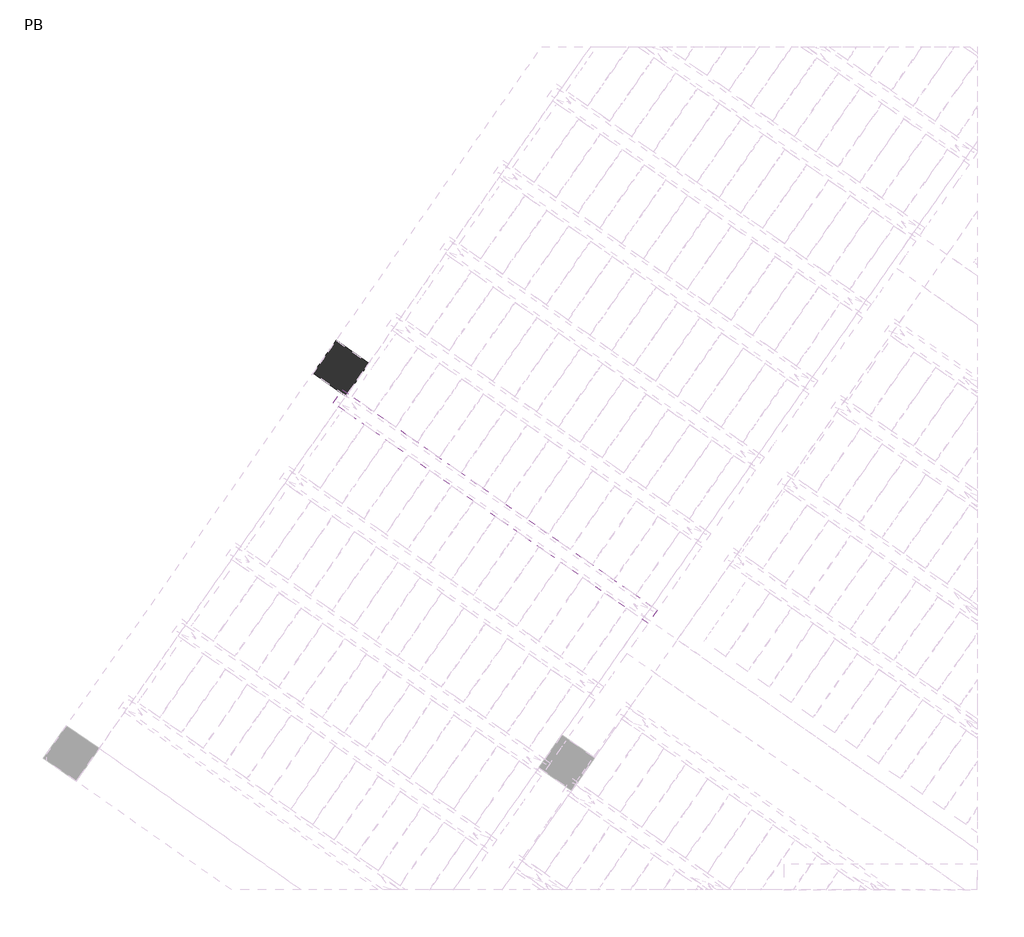
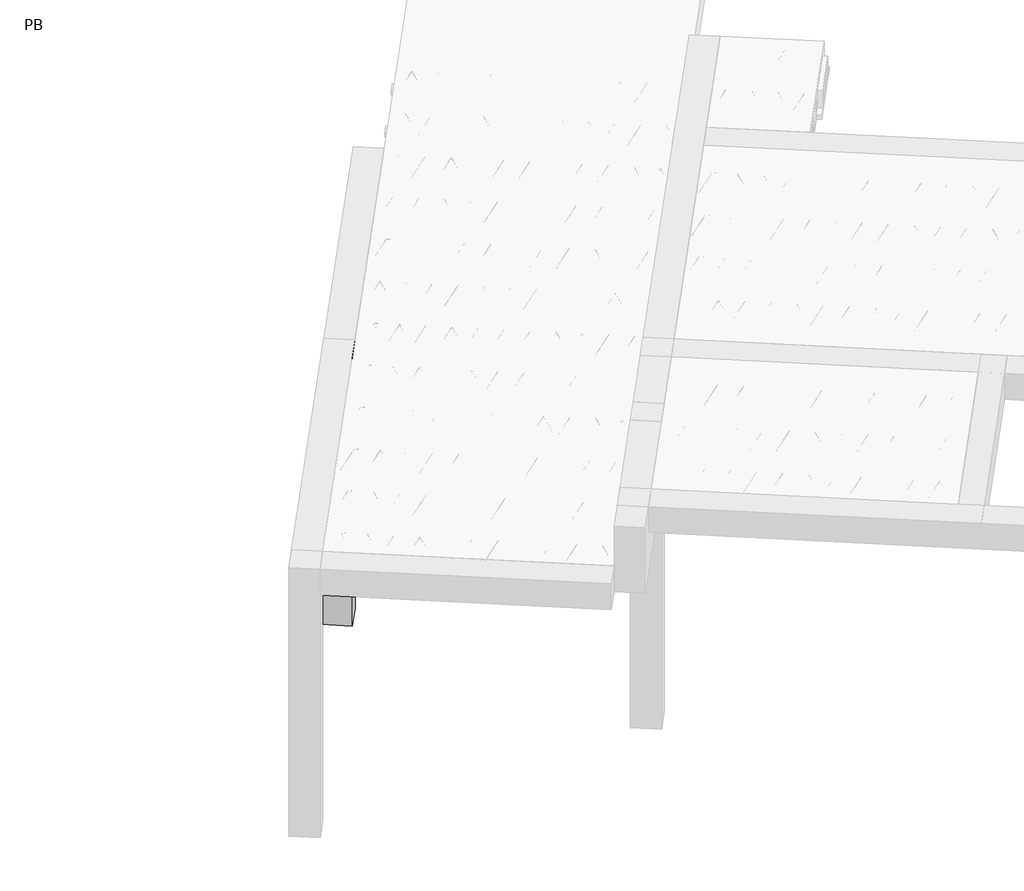
# One storey, part 26 of 56: 2 beams, 1 column.
"""IFC4 building model written with IfcOpenShell, lengths in millimetres."""

from ifc_helpers import new_model, si_unit, point, frame, origin, origin_2d, place, context, project, spatial, polyline, circle_curve, trimmed, segment, composite_curve, outline, extrude, element, save

model = new_model("IFC4")

# Units and contexts
model_context = context("Model", 3, world=origin())
ifc_project = project(units=[si_unit("LENGTHUNIT", "METRE", prefix="MILLI")], contexts=[model_context])

# Site, building, storey
site = spatial("IfcSite", under=ifc_project)
building = spatial("IfcBuilding", under=site)
storey = spatial("IfcBuildingStorey", under=building, Name="PB", Elevation=95940.0)

# Beams
placement = place(None, origin())
element("IfcBeam", 1, at=placement, inside=storey, context=model_context, shape_type="SweptSolid", body=[
    extrude(outline(polyline([(391.452062, 4963.3698064), (460.2812344, 5061.6680517), (2823.2385882, 3407.1074999), (2754.4094159, 3308.8092546), (391.452062, 4963.3698064)])), frame((0.0, 0.0, 98760.0), z_axis=(0.0, 0.0, 1.0), x_axis=(1.0, 0.0, 0.0)), (0.0, 0.0, 1.0), 50.0),
    extrude(outline(composite_curve([segment(trimmed(circle_curve(origin_2d(), 2.5), [point((-2.5000001, 0.0))], [point((2.5, 0.0))], False, "CARTESIAN"), True, "CONTINUOUS"), segment(trimmed(circle_curve(origin_2d(), 2.5), [point((2.5, 0.0))], [point((-2.5000001, 0.0))], False, "CARTESIAN"), True, "CONTINUOUS")], self_intersect=False)), frame((2748.5156013, 3342.2347382, 98785.0), z_axis=(-0.8191520442696126, 0.5735764363787226, 0.0), x_axis=(0.5735764363787226, 0.8191520442696126, 0.0)), (0.0, 0.0, 1.0), 2836.638292),
    extrude(outline(composite_curve([segment(trimmed(circle_curve(origin_2d(), 2.5), [point((-2.5000001, 0.0))], [point((2.5, 0.0))], False, "CARTESIAN"), True, "CONTINUOUS"), segment(trimmed(circle_curve(origin_2d(), 2.5), [point((2.5, 0.0))], [point((-2.5000001, 0.0))], False, "CARTESIAN"), True, "CONTINUOUS")], self_intersect=False)), frame((2672.2429828, 3439.5892858, 99010.0), z_axis=(-0.8191520442696126, 0.5735764363787226, 0.0), x_axis=(0.5735764363787226, 0.8191520442696126, 0.0)), (0.0, 0.0, 1.0), 2600.0),
    extrude(outline(composite_curve([segment(trimmed(circle_curve(origin_2d(), 2.5), [point((-2.5, 0.0))], [point((2.5, 0.0))], False, "CARTESIAN"), True, "CONTINUOUS"), segment(trimmed(circle_curve(origin_2d(), 2.5), [point((2.5, 0.0))], [point((-2.5, 0.0))], False, "CARTESIAN"), True, "CONTINUOUS")], self_intersect=False)), frame((2713.0306345, 3367.0815794, 98785.0), z_axis=(-0.3145304735701046, 0.38933448886848654, 0.8657304643902053), x_axis=(0.7778747638402499, 0.6284193279813057, 0.0)), (0.0, 0.0, 1.0), 259.8961331),
    extrude(outline(composite_curve([segment(trimmed(circle_curve(origin_2d(), 2.5), [point((2.5, 0.0))], [point((-2.5, 0.0))], False, "CARTESIAN"), True, "CONTINUOUS"), segment(trimmed(circle_curve(origin_2d(), 2.5), [point((-2.5, 0.0))], [point((2.5, 0.0))], False, "CARTESIAN"), True, "CONTINUOUS")], self_intersect=False)), frame((2508.2426234, 3510.4756885, 98785.0), z_axis=(0.47343050384693375, -0.16240172737369005, 0.8657304643902051), x_axis=(-0.3244721671091268, -0.9458952440791246, 0.0)), (0.0, 0.0, 1.0), 259.8961331),
    extrude(outline(composite_curve([segment(trimmed(circle_curve(origin_2d(), 2.5), [point((-2.5, 0.0))], [point((2.5, 0.0))], False, "CARTESIAN"), True, "CONTINUOUS"), segment(trimmed(circle_curve(origin_2d(), 2.5), [point((2.5, 0.0))], [point((-2.5, 0.0))], False, "CARTESIAN"), True, "CONTINUOUS")], self_intersect=False)), frame((2508.2426234, 3510.4756885, 98785.0), z_axis=(-0.3145304735701046, 0.38933448886848654, 0.8657304643902053), x_axis=(0.7778747638402499, 0.6284193279813057, 0.0)), (0.0, 0.0, 1.0), 259.8961331),
    extrude(outline(composite_curve([segment(trimmed(circle_curve(origin_2d(), 2.5), [point((2.5, 0.0))], [point((-2.5, 0.0))], False, "CARTESIAN"), True, "CONTINUOUS"), segment(trimmed(circle_curve(origin_2d(), 2.5), [point((-2.5, 0.0))], [point((2.5, 0.0))], False, "CARTESIAN"), True, "CONTINUOUS")], self_intersect=False)), frame((2303.4546123, 3653.8697976, 98785.0), z_axis=(0.47343050384693375, -0.16240172737369005, 0.8657304643902051), x_axis=(-0.3244721671091268, -0.9458952440791246, 0.0)), (0.0, 0.0, 1.0), 259.8961331),
    extrude(outline(composite_curve([segment(trimmed(circle_curve(origin_2d(), 2.5), [point((-2.5, 0.0))], [point((2.5, 0.0))], False, "CARTESIAN"), True, "CONTINUOUS"), segment(trimmed(circle_curve(origin_2d(), 2.5), [point((2.5, 0.0))], [point((-2.5, 0.0))], False, "CARTESIAN"), True, "CONTINUOUS")], self_intersect=False)), frame((2303.4546123, 3653.8697976, 98785.0), z_axis=(-0.3145304735701046, 0.38933448886848654, 0.8657304643902053), x_axis=(0.7778747638402499, 0.6284193279813057, 0.0)), (0.0, 0.0, 1.0), 259.8961331),
    extrude(outline(composite_curve([segment(trimmed(circle_curve(origin_2d(), 2.5), [point((2.5, 0.0))], [point((-2.5, 1e-07))], False, "CARTESIAN"), True, "CONTINUOUS"), segment(trimmed(circle_curve(origin_2d(), 2.5), [point((-2.5, 1e-07))], [point((2.5, 0.0))], False, "CARTESIAN"), True, "CONTINUOUS")], self_intersect=False)), frame((2098.6666012, 3797.2639067, 98785.0), z_axis=(0.47343050384693375, -0.16240172737369005, 0.8657304643902051), x_axis=(-0.3244721671091268, -0.9458952440791246, 0.0)), (0.0, 0.0, 1.0), 259.8961331),
    extrude(outline(composite_curve([segment(trimmed(circle_curve(origin_2d(), 2.5), [point((-2.5, 0.0))], [point((2.5, 0.0))], False, "CARTESIAN"), True, "CONTINUOUS"), segment(trimmed(circle_curve(origin_2d(), 2.5), [point((2.5, 0.0))], [point((-2.5, 0.0))], False, "CARTESIAN"), True, "CONTINUOUS")], self_intersect=False)), frame((2098.6666012, 3797.2639067, 98785.0), z_axis=(-0.3145304735701046, 0.38933448886848654, 0.8657304643902053), x_axis=(0.7778747638402499, 0.6284193279813057, 0.0)), (0.0, 0.0, 1.0), 259.8961331),
    extrude(outline(composite_curve([segment(trimmed(circle_curve(origin_2d(), 2.5), [point((2.5, 0.0))], [point((-2.5, 0.0))], False, "CARTESIAN"), True, "CONTINUOUS"), segment(trimmed(circle_curve(origin_2d(), 2.5), [point((-2.5, 0.0))], [point((2.5, 0.0))], False, "CARTESIAN"), True, "CONTINUOUS")], self_intersect=False)), frame((1893.8785902, 3940.6580158, 98785.0), z_axis=(0.47343050384693375, -0.16240172737369005, 0.8657304643902051), x_axis=(-0.3244721671091268, -0.9458952440791246, 0.0)), (0.0, 0.0, 1.0), 259.8961331),
    extrude(outline(composite_curve([segment(trimmed(circle_curve(origin_2d(), 2.5), [point((-2.5, 0.0))], [point((2.5, 0.0))], False, "CARTESIAN"), True, "CONTINUOUS"), segment(trimmed(circle_curve(origin_2d(), 2.5), [point((2.5, 0.0))], [point((-2.5, 0.0))], False, "CARTESIAN"), True, "CONTINUOUS")], self_intersect=False)), frame((1893.87859, 3940.6580159, 98785.0), z_axis=(-0.3145304735701046, 0.38933448886848654, 0.8657304643902053), x_axis=(0.7778747638402499, 0.6284193279813057, 0.0)), (0.0, 0.0, 1.0), 259.8961331),
    extrude(outline(composite_curve([segment(trimmed(circle_curve(origin_2d(), 2.5), [point((2.5, 0.0))], [point((-2.5, 1e-07))], False, "CARTESIAN"), True, "CONTINUOUS"), segment(trimmed(circle_curve(origin_2d(), 2.5), [point((-2.5, 1e-07))], [point((2.5, 0.0))], False, "CARTESIAN"), True, "CONTINUOUS")], self_intersect=False)), frame((1689.0905789, 4084.052125, 98785.0), z_axis=(0.47343050384693375, -0.16240172737369005, 0.8657304643902051), x_axis=(-0.3244721671091268, -0.9458952440791246, 0.0)), (0.0, 0.0, 1.0), 259.8961331),
    extrude(outline(composite_curve([segment(trimmed(circle_curve(origin_2d(), 2.5), [point((-2.5, 0.0))], [point((2.5, 0.0))], False, "CARTESIAN"), True, "CONTINUOUS"), segment(trimmed(circle_curve(origin_2d(), 2.5), [point((2.5, 0.0))], [point((-2.5, 0.0))], False, "CARTESIAN"), True, "CONTINUOUS")], self_intersect=False)), frame((1689.0905789, 4084.052125, 98785.0), z_axis=(-0.3145304735701046, 0.38933448886848654, 0.8657304643902053), x_axis=(0.7778747638402499, 0.6284193279813057, 0.0)), (0.0, 0.0, 1.0), 259.8961331),
    extrude(outline(composite_curve([segment(trimmed(circle_curve(origin_2d(), 2.5), [point((2.5, 0.0))], [point((-2.5, 0.0))], False, "CARTESIAN"), True, "CONTINUOUS"), segment(trimmed(circle_curve(origin_2d(), 2.5), [point((-2.5, 0.0))], [point((2.5, 0.0))], False, "CARTESIAN"), True, "CONTINUOUS")], self_intersect=False)), frame((1484.3025679, 4227.4462341, 98785.0), z_axis=(0.47343050384693375, -0.16240172737369005, 0.8657304643902051), x_axis=(-0.3244721671091268, -0.9458952440791246, 0.0)), (0.0, 0.0, 1.0), 259.8961331),
    extrude(outline(composite_curve([segment(trimmed(circle_curve(origin_2d(), 2.5), [point((-2.5, 0.0))], [point((2.5, 0.0))], False, "CARTESIAN"), True, "CONTINUOUS"), segment(trimmed(circle_curve(origin_2d(), 2.5), [point((2.5, 0.0))], [point((-2.5, 0.0))], False, "CARTESIAN"), True, "CONTINUOUS")], self_intersect=False)), frame((1484.3025679, 4227.4462341, 98785.0), z_axis=(-0.3145304735701046, 0.38933448886848654, 0.8657304643902053), x_axis=(0.7778747638402499, 0.6284193279813057, 0.0)), (0.0, 0.0, 1.0), 259.8961331),
    extrude(outline(composite_curve([segment(trimmed(circle_curve(origin_2d(), 2.5), [point((2.5, 0.0))], [point((-2.5, 0.0))], False, "CARTESIAN"), True, "CONTINUOUS"), segment(trimmed(circle_curve(origin_2d(), 2.5), [point((-2.5, 0.0))], [point((2.5, 0.0))], False, "CARTESIAN"), True, "CONTINUOUS")], self_intersect=False)), frame((1279.5145568, 4370.8403432, 98785.0), z_axis=(0.47343050384693375, -0.16240172737369005, 0.8657304643902051), x_axis=(-0.3244721671091268, -0.9458952440791246, 0.0)), (0.0, 0.0, 1.0), 259.8961331),
    extrude(outline(composite_curve([segment(trimmed(circle_curve(origin_2d(), 2.5), [point((-2.5, 0.0))], [point((2.5, 0.0))], False, "CARTESIAN"), True, "CONTINUOUS"), segment(trimmed(circle_curve(origin_2d(), 2.5), [point((2.5, 0.0))], [point((-2.5, 0.0))], False, "CARTESIAN"), True, "CONTINUOUS")], self_intersect=False)), frame((1279.5145568, 4370.8403432, 98785.0), z_axis=(-0.3145304735701046, 0.38933448886848654, 0.8657304643902053), x_axis=(0.7778747638402499, 0.6284193279813057, 0.0)), (0.0, 0.0, 1.0), 259.8961331),
    extrude(outline(composite_curve([segment(trimmed(circle_curve(origin_2d(), 2.5), [point((2.5, 0.0))], [point((-2.5, 1e-07))], False, "CARTESIAN"), True, "CONTINUOUS"), segment(trimmed(circle_curve(origin_2d(), 2.5), [point((-2.5, 1e-07))], [point((2.5, 0.0))], False, "CARTESIAN"), True, "CONTINUOUS")], self_intersect=False)), frame((1074.7265457, 4514.2344523, 98785.0), z_axis=(0.47343050384693375, -0.16240172737369005, 0.8657304643902051), x_axis=(-0.3244721671091268, -0.9458952440791246, 0.0)), (0.0, 0.0, 1.0), 259.8961331),
    extrude(outline(composite_curve([segment(trimmed(circle_curve(origin_2d(), 2.5), [point((-2.5, 0.0))], [point((2.5, 0.0))], False, "CARTESIAN"), True, "CONTINUOUS"), segment(trimmed(circle_curve(origin_2d(), 2.5), [point((2.5, 0.0))], [point((-2.5, 0.0))], False, "CARTESIAN"), True, "CONTINUOUS")], self_intersect=False)), frame((1074.7265457, 4514.2344523, 98785.0), z_axis=(-0.3145304735701046, 0.38933448886848654, 0.8657304643902053), x_axis=(0.7778747638402499, 0.6284193279813057, 0.0)), (0.0, 0.0, 1.0), 259.8961331),
    extrude(outline(composite_curve([segment(trimmed(circle_curve(origin_2d(), 2.5), [point((2.5, 0.0))], [point((-2.5, 0.0))], False, "CARTESIAN"), True, "CONTINUOUS"), segment(trimmed(circle_curve(origin_2d(), 2.5), [point((-2.5, 0.0))], [point((2.5, 0.0))], False, "CARTESIAN"), True, "CONTINUOUS")], self_intersect=False)), frame((869.9385347, 4657.6285614, 98785.0), z_axis=(0.47343050384693375, -0.16240172737369005, 0.8657304643902051), x_axis=(-0.3244721671091268, -0.9458952440791246, 0.0)), (0.0, 0.0, 1.0), 259.8961331),
    extrude(outline(composite_curve([segment(trimmed(circle_curve(origin_2d(), 2.5), [point((-2.5, 0.0))], [point((2.5, 0.0))], False, "CARTESIAN"), True, "CONTINUOUS"), segment(trimmed(circle_curve(origin_2d(), 2.5), [point((2.5, 0.0))], [point((-2.5, 0.0))], False, "CARTESIAN"), True, "CONTINUOUS")], self_intersect=False)), frame((869.9385347, 4657.6285614, 98785.0), z_axis=(-0.3145304735701046, 0.38933448886848654, 0.8657304643902053), x_axis=(0.7778747638402499, 0.6284193279813057, 0.0)), (0.0, 0.0, 1.0), 259.8961331),
    extrude(outline(composite_curve([segment(trimmed(circle_curve(origin_2d(), 2.5), [point((2.5, 0.0))], [point((-2.5, 0.0))], False, "CARTESIAN"), True, "CONTINUOUS"), segment(trimmed(circle_curve(origin_2d(), 2.5), [point((-2.5, 0.0))], [point((2.5, 0.0))], False, "CARTESIAN"), True, "CONTINUOUS")], self_intersect=False)), frame((665.1505236, 4801.0226705, 98785.0), z_axis=(0.47343050384693375, -0.16240172737369005, 0.8657304643902051), x_axis=(-0.3244721671091268, -0.9458952440791246, 0.0)), (0.0, 0.0, 1.0), 259.8961331),
    extrude(outline(composite_curve([segment(trimmed(circle_curve(origin_2d(), 2.5), [point((-2.5, 0.0))], [point((2.5, 0.0))], False, "CARTESIAN"), True, "CONTINUOUS"), segment(trimmed(circle_curve(origin_2d(), 2.5), [point((2.5, 0.0))], [point((-2.5, 0.0))], False, "CARTESIAN"), True, "CONTINUOUS")], self_intersect=False)), frame((665.1505236, 4801.0226705, 98785.0), z_axis=(-0.3145304735701046, 0.38933448886848654, 0.8657304643902053), x_axis=(0.7778747638402499, 0.6284193279813057, 0.0)), (0.0, 0.0, 1.0), 259.8961331),
    extrude(outline(composite_curve([segment(trimmed(circle_curve(origin_2d(), 2.5), [point((2.5, 0.0))], [point((-2.5, 1e-07))], False, "CARTESIAN"), True, "CONTINUOUS"), segment(trimmed(circle_curve(origin_2d(), 2.5), [point((-2.5, 1e-07))], [point((2.5, 0.0))], False, "CARTESIAN"), True, "CONTINUOUS")], self_intersect=False)), frame((460.3625125, 4944.4167796, 98785.0), z_axis=(0.47343050384693375, -0.16240172737369005, 0.8657304643902051), x_axis=(-0.3244721671091268, -0.9458952440791246, 0.0)), (0.0, 0.0, 1.0), 259.8961331),
    extrude(outline(composite_curve([segment(trimmed(circle_curve(origin_2d(), 2.5), [point((-2.5, 0.0))], [point((2.5000001, 0.0))], False, "CARTESIAN"), True, "CONTINUOUS"), segment(trimmed(circle_curve(origin_2d(), 2.5), [point((2.5000001, 0.0))], [point((-2.5, 0.0))], False, "CARTESIAN"), True, "CONTINUOUS")], self_intersect=False)), frame((2789.8131047, 3401.2136853, 98785.0), z_axis=(-0.8191520442696126, 0.5735764363787226, 0.0), x_axis=(0.5735764363787226, 0.8191520442696126, 0.0)), (0.0, 0.0, 1.0), 2836.638292),
    extrude(outline(composite_curve([segment(trimmed(circle_curve(origin_2d(), 2.5), [point((-2.5, 0.0))], [point((2.5, 0.0))], False, "CARTESIAN"), True, "CONTINUOUS"), segment(trimmed(circle_curve(origin_2d(), 2.5), [point((2.5, 0.0))], [point((-2.5, 0.0))], False, "CARTESIAN"), True, "CONTINUOUS")], self_intersect=False)), frame((2754.3281379, 3426.0605266, 98785.0), z_axis=(-0.47343050384693375, 0.16240172737369005, 0.8657304643902051), x_axis=(0.3244721671091268, 0.9458952440791246, 0.0)), (0.0, 0.0, 1.0), 259.8961331),
    extrude(outline(composite_curve([segment(trimmed(circle_curve(origin_2d(), 2.5), [point((2.5, 0.0))], [point((-2.5, 0.0))], False, "CARTESIAN"), True, "CONTINUOUS"), segment(trimmed(circle_curve(origin_2d(), 2.5), [point((-2.5, 0.0))], [point((2.5, 0.0))], False, "CARTESIAN"), True, "CONTINUOUS")], self_intersect=False)), frame((2549.5401268, 3569.4546357, 98785.0), z_axis=(0.3145304735701046, -0.38933448886848654, 0.8657304643902053), x_axis=(-0.7778747638402499, -0.6284193279813057, 0.0)), (0.0, 0.0, 1.0), 259.8961331),
    extrude(outline(composite_curve([segment(trimmed(circle_curve(origin_2d(), 2.5), [point((-2.5, 0.0))], [point((2.5, 0.0))], False, "CARTESIAN"), True, "CONTINUOUS"), segment(trimmed(circle_curve(origin_2d(), 2.5), [point((2.5, 0.0))], [point((-2.5, 0.0))], False, "CARTESIAN"), True, "CONTINUOUS")], self_intersect=False)), frame((2549.5401268, 3569.4546357, 98785.0), z_axis=(-0.47343050384693375, 0.16240172737369005, 0.8657304643902051), x_axis=(0.3244721671091268, 0.9458952440791246, 0.0)), (0.0, 0.0, 1.0), 259.8961331),
    extrude(outline(composite_curve([segment(trimmed(circle_curve(origin_2d(), 2.5), [point((2.5, 0.0))], [point((-2.5, 0.0))], False, "CARTESIAN"), True, "CONTINUOUS"), segment(trimmed(circle_curve(origin_2d(), 2.5), [point((-2.5, 0.0))], [point((2.5, 0.0))], False, "CARTESIAN"), True, "CONTINUOUS")], self_intersect=False)), frame((2344.7521157, 3712.8487448, 98785.0), z_axis=(0.3145304735701046, -0.38933448886848654, 0.8657304643902053), x_axis=(-0.7778747638402499, -0.6284193279813057, 0.0)), (0.0, 0.0, 1.0), 259.8961331),
    extrude(outline(composite_curve([segment(trimmed(circle_curve(origin_2d(), 2.5), [point((-2.5, 0.0))], [point((2.5, 0.0))], False, "CARTESIAN"), True, "CONTINUOUS"), segment(trimmed(circle_curve(origin_2d(), 2.5), [point((2.5, 0.0))], [point((-2.5, 0.0))], False, "CARTESIAN"), True, "CONTINUOUS")], self_intersect=False)), frame((2344.7521157, 3712.8487448, 98785.0), z_axis=(-0.47343050384693375, 0.16240172737369005, 0.8657304643902051), x_axis=(0.3244721671091268, 0.9458952440791246, 0.0)), (0.0, 0.0, 1.0), 259.8961331),
    extrude(outline(composite_curve([segment(trimmed(circle_curve(origin_2d(), 2.5), [point((2.5000001, -1e-07))], [point((-2.5, 0.0))], False, "CARTESIAN"), True, "CONTINUOUS"), segment(trimmed(circle_curve(origin_2d(), 2.5), [point((-2.5, 0.0))], [point((2.5000001, -1e-07))], False, "CARTESIAN"), True, "CONTINUOUS")], self_intersect=False)), frame((2139.9641047, 3856.2428539, 98785.0), z_axis=(0.3145304735701046, -0.38933448886848654, 0.8657304643902053), x_axis=(-0.7778747638402499, -0.6284193279813057, 0.0)), (0.0, 0.0, 1.0), 259.8961331),
    extrude(outline(composite_curve([segment(trimmed(circle_curve(origin_2d(), 2.5), [point((-2.5, 1e-07))], [point((2.5, 0.0))], False, "CARTESIAN"), True, "CONTINUOUS"), segment(trimmed(circle_curve(origin_2d(), 2.5), [point((2.5, 0.0))], [point((-2.5, 1e-07))], False, "CARTESIAN"), True, "CONTINUOUS")], self_intersect=False)), frame((2139.9641047, 3856.2428539, 98785.0), z_axis=(-0.47343050384693375, 0.16240172737369005, 0.8657304643902051), x_axis=(0.3244721671091268, 0.9458952440791246, 0.0)), (0.0, 0.0, 1.0), 259.8961331),
    extrude(outline(composite_curve([segment(trimmed(circle_curve(origin_2d(), 2.5), [point((2.5, 0.0))], [point((-2.5, 0.0))], False, "CARTESIAN"), True, "CONTINUOUS"), segment(trimmed(circle_curve(origin_2d(), 2.5), [point((-2.5, 0.0))], [point((2.5, 0.0))], False, "CARTESIAN"), True, "CONTINUOUS")], self_intersect=False)), frame((1935.1760936, 3999.636963, 98785.0), z_axis=(0.3145304735701046, -0.38933448886848654, 0.8657304643902053), x_axis=(-0.7778747638402499, -0.6284193279813057, 0.0)), (0.0, 0.0, 1.0), 259.8961331),
    extrude(outline(composite_curve([segment(trimmed(circle_curve(origin_2d(), 2.5), [point((-2.5, 0.0))], [point((2.5, 0.0))], False, "CARTESIAN"), True, "CONTINUOUS"), segment(trimmed(circle_curve(origin_2d(), 2.5), [point((2.5, 0.0))], [point((-2.5, 0.0))], False, "CARTESIAN"), True, "CONTINUOUS")], self_intersect=False)), frame((1935.1760934, 3999.6369631, 98785.0), z_axis=(-0.47343050384693375, 0.16240172737369005, 0.8657304643902051), x_axis=(0.3244721671091268, 0.9458952440791246, 0.0)), (0.0, 0.0, 1.0), 259.8961331),
    extrude(outline(composite_curve([segment(trimmed(circle_curve(origin_2d(), 2.5), [point((2.5000001, -1e-07))], [point((-2.5, 0.0))], False, "CARTESIAN"), True, "CONTINUOUS"), segment(trimmed(circle_curve(origin_2d(), 2.5), [point((-2.5, 0.0))], [point((2.5000001, -1e-07))], False, "CARTESIAN"), True, "CONTINUOUS")], self_intersect=False)), frame((1730.3880824, 4143.0310722, 98785.0), z_axis=(0.3145304735701046, -0.38933448886848654, 0.8657304643902053), x_axis=(-0.7778747638402499, -0.6284193279813057, 0.0)), (0.0, 0.0, 1.0), 259.8961331),
    extrude(outline(composite_curve([segment(trimmed(circle_curve(origin_2d(), 2.5), [point((-2.5, 1e-07))], [point((2.5, 0.0))], False, "CARTESIAN"), True, "CONTINUOUS"), segment(trimmed(circle_curve(origin_2d(), 2.5), [point((2.5, 0.0))], [point((-2.5, 1e-07))], False, "CARTESIAN"), True, "CONTINUOUS")], self_intersect=False)), frame((1730.3880824, 4143.0310722, 98785.0), z_axis=(-0.47343050384693375, 0.16240172737369005, 0.8657304643902051), x_axis=(0.3244721671091268, 0.9458952440791246, 0.0)), (0.0, 0.0, 1.0), 259.8961331),
    extrude(outline(composite_curve([segment(trimmed(circle_curve(origin_2d(), 2.5), [point((2.5, 0.0))], [point((-2.5, 0.0))], False, "CARTESIAN"), True, "CONTINUOUS"), segment(trimmed(circle_curve(origin_2d(), 2.5), [point((-2.5, 0.0))], [point((2.5, 0.0))], False, "CARTESIAN"), True, "CONTINUOUS")], self_intersect=False)), frame((1525.6000713, 4286.4251813, 98785.0), z_axis=(0.3145304735701046, -0.38933448886848654, 0.8657304643902053), x_axis=(-0.7778747638402499, -0.6284193279813057, 0.0)), (0.0, 0.0, 1.0), 259.8961331),
    extrude(outline(composite_curve([segment(trimmed(circle_curve(origin_2d(), 2.5), [point((-2.5, 0.0))], [point((2.5, 0.0))], False, "CARTESIAN"), True, "CONTINUOUS"), segment(trimmed(circle_curve(origin_2d(), 2.5), [point((2.5, 0.0))], [point((-2.5, 0.0))], False, "CARTESIAN"), True, "CONTINUOUS")], self_intersect=False)), frame((1525.6000713, 4286.4251813, 98785.0), z_axis=(-0.47343050384693375, 0.16240172737369005, 0.8657304643902051), x_axis=(0.3244721671091268, 0.9458952440791246, 0.0)), (0.0, 0.0, 1.0), 259.8961331),
    extrude(outline(composite_curve([segment(trimmed(circle_curve(origin_2d(), 2.5), [point((2.5, 0.0))], [point((-2.5, 0.0))], False, "CARTESIAN"), True, "CONTINUOUS"), segment(trimmed(circle_curve(origin_2d(), 2.5), [point((-2.5, 0.0))], [point((2.5, 0.0))], False, "CARTESIAN"), True, "CONTINUOUS")], self_intersect=False)), frame((1320.8120602, 4429.8192904, 98785.0), z_axis=(0.3145304735701046, -0.38933448886848654, 0.8657304643902053), x_axis=(-0.7778747638402499, -0.6284193279813057, 0.0)), (0.0, 0.0, 1.0), 259.8961331),
    extrude(outline(composite_curve([segment(trimmed(circle_curve(origin_2d(), 2.5), [point((-2.5, 0.0))], [point((2.5, 0.0))], False, "CARTESIAN"), True, "CONTINUOUS"), segment(trimmed(circle_curve(origin_2d(), 2.5), [point((2.5, 0.0))], [point((-2.5, 0.0))], False, "CARTESIAN"), True, "CONTINUOUS")], self_intersect=False)), frame((1320.8120602, 4429.8192904, 98785.0), z_axis=(-0.47343050384693375, 0.16240172737369005, 0.8657304643902051), x_axis=(0.3244721671091268, 0.9458952440791246, 0.0)), (0.0, 0.0, 1.0), 259.8961331),
    extrude(outline(composite_curve([segment(trimmed(circle_curve(origin_2d(), 2.5), [point((2.5000001, -1e-07))], [point((-2.5, 0.0))], False, "CARTESIAN"), True, "CONTINUOUS"), segment(trimmed(circle_curve(origin_2d(), 2.5), [point((-2.5, 0.0))], [point((2.5000001, -1e-07))], False, "CARTESIAN"), True, "CONTINUOUS")], self_intersect=False)), frame((1116.0240492, 4573.2133995, 98785.0), z_axis=(0.3145304735701046, -0.38933448886848654, 0.8657304643902053), x_axis=(-0.7778747638402499, -0.6284193279813057, 0.0)), (0.0, 0.0, 1.0), 259.8961331),
    extrude(outline(composite_curve([segment(trimmed(circle_curve(origin_2d(), 2.5), [point((-2.5, 1e-07))], [point((2.5, 0.0))], False, "CARTESIAN"), True, "CONTINUOUS"), segment(trimmed(circle_curve(origin_2d(), 2.5), [point((2.5, 0.0))], [point((-2.5, 1e-07))], False, "CARTESIAN"), True, "CONTINUOUS")], self_intersect=False)), frame((1116.0240492, 4573.2133995, 98785.0), z_axis=(-0.47343050384693375, 0.16240172737369005, 0.8657304643902051), x_axis=(0.3244721671091268, 0.9458952440791246, 0.0)), (0.0, 0.0, 1.0), 259.8961331),
    extrude(outline(composite_curve([segment(trimmed(circle_curve(origin_2d(), 2.5), [point((2.5, 0.0))], [point((-2.5, 0.0))], False, "CARTESIAN"), True, "CONTINUOUS"), segment(trimmed(circle_curve(origin_2d(), 2.5), [point((-2.5, 0.0))], [point((2.5, 0.0))], False, "CARTESIAN"), True, "CONTINUOUS")], self_intersect=False)), frame((911.2360381, 4716.6075086, 98785.0), z_axis=(0.3145304735701046, -0.38933448886848654, 0.8657304643902053), x_axis=(-0.7778747638402499, -0.6284193279813057, 0.0)), (0.0, 0.0, 1.0), 259.8961331),
    extrude(outline(composite_curve([segment(trimmed(circle_curve(origin_2d(), 2.5), [point((-2.5, 0.0))], [point((2.5, 0.0))], False, "CARTESIAN"), True, "CONTINUOUS"), segment(trimmed(circle_curve(origin_2d(), 2.5), [point((2.5, 0.0))], [point((-2.5, 0.0))], False, "CARTESIAN"), True, "CONTINUOUS")], self_intersect=False)), frame((911.2360381, 4716.6075086, 98785.0), z_axis=(-0.47343050384693375, 0.16240172737369005, 0.8657304643902051), x_axis=(0.3244721671091268, 0.9458952440791246, 0.0)), (0.0, 0.0, 1.0), 259.8961331),
    extrude(outline(composite_curve([segment(trimmed(circle_curve(origin_2d(), 2.5), [point((2.5, 0.0))], [point((-2.5, 0.0))], False, "CARTESIAN"), True, "CONTINUOUS"), segment(trimmed(circle_curve(origin_2d(), 2.5), [point((-2.5, 0.0))], [point((2.5, 0.0))], False, "CARTESIAN"), True, "CONTINUOUS")], self_intersect=False)), frame((706.448027, 4860.0016177, 98785.0), z_axis=(0.3145304735701046, -0.38933448886848654, 0.8657304643902053), x_axis=(-0.7778747638402499, -0.6284193279813057, 0.0)), (0.0, 0.0, 1.0), 259.8961331),
    extrude(outline(composite_curve([segment(trimmed(circle_curve(origin_2d(), 2.5), [point((-2.5, 0.0))], [point((2.5, 0.0))], False, "CARTESIAN"), True, "CONTINUOUS"), segment(trimmed(circle_curve(origin_2d(), 2.5), [point((2.5, 0.0))], [point((-2.5, 0.0))], False, "CARTESIAN"), True, "CONTINUOUS")], self_intersect=False)), frame((706.448027, 4860.0016177, 98785.0), z_axis=(-0.47343050384693375, 0.16240172737369005, 0.8657304643902051), x_axis=(0.3244721671091268, 0.9458952440791246, 0.0)), (0.0, 0.0, 1.0), 259.8961331),
    extrude(outline(composite_curve([segment(trimmed(circle_curve(origin_2d(), 2.5), [point((2.5000001, -1e-07))], [point((-2.5, 0.0))], False, "CARTESIAN"), True, "CONTINUOUS"), segment(trimmed(circle_curve(origin_2d(), 2.5), [point((-2.5, 0.0))], [point((2.5000001, -1e-07))], False, "CARTESIAN"), True, "CONTINUOUS")], self_intersect=False)), frame((501.660016, 5003.3957268, 98785.0), z_axis=(0.3145304735701046, -0.38933448886848654, 0.8657304643902053), x_axis=(-0.7778747638402499, -0.6284193279813057, 0.0)), (0.0, 0.0, 1.0), 259.8961331),
])
element("IfcBeam", 2, at=placement, inside=storey, context=model_context, shape_type="SweptSolid", body=[
    extrude(outline(polyline([(792.9844499, 5536.7560136), (861.8136223, 5635.054259), (3224.7420937, 3980.5139309), (3155.9129213, 3882.2156856), (792.9844499, 5536.7560136)])), frame((0.0, 0.0, 98760.0), z_axis=(0.0, 0.0, 1.0), x_axis=(1.0, 0.0, 0.0)), (0.0, 0.0, 1.0), 50.0),
])

# Column
element("IfcColumn", 3, ObjectType="DirectShapeType 3937", at=placement, inside=storey, context=model_context, shape_type="SweptSolid", body=[
    extrude(outline(polyline([(660.1455701, 5259.6007648), (488.0726392, 5013.8551515), (242.3270259, 5185.9280824), (414.3999568, 5431.6736957), (660.1455701, 5259.6007648)])), frame((0.0, 0.0, 95940.0), z_axis=(0.0, 0.0, 1.0), x_axis=(1.0, 0.0, 0.0)), (0.0, 0.0, 1.0), 3120.0),
])

save(model, "model.ifc")
